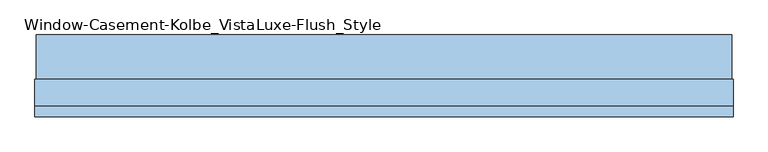
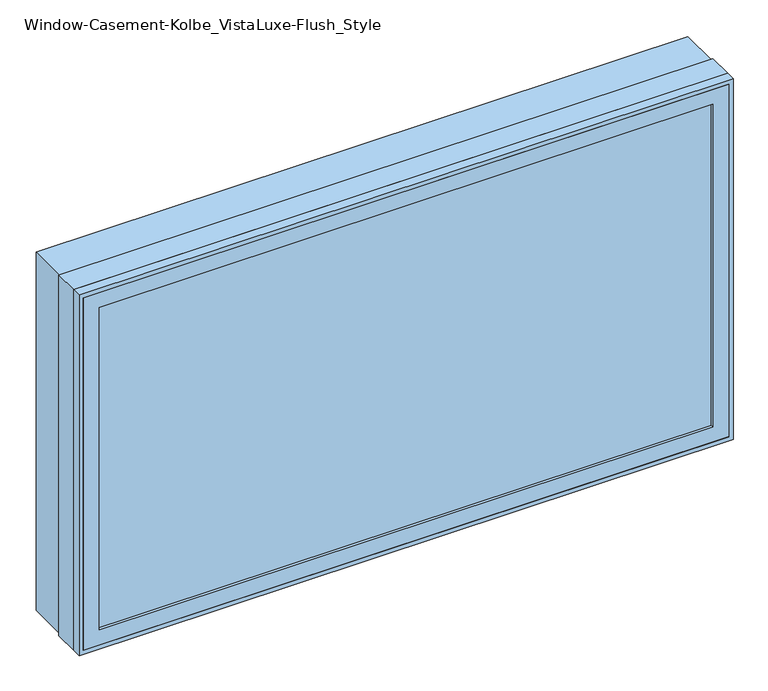
"""IFC4 building model written with IfcOpenShell, lengths in millimetres: window geometry, Window-Casement-Kolbe_VistaLuxe-Flush_Style."""

from ifc_helpers import new_model, si_unit, frame, origin, place, context, project, spatial, polyline, outline, extrude, faceted_brep, source, transform, mapped, element, save


def window_casement_kolbe_vistaluxe_flush_style_ea1c5d10(model_context):
    return source(origin(), model_context, "Body", "SolidModel", [
        faceted_brep([(-863.6696599, -111.85398, 970.676875), (-863.6696599, -119.79148, 970.676875), (852.5765901, -119.79148, 970.676875), (852.5765901, -111.85398, 970.676875), (-879.5446599, -89.60358, 954.801875), (-879.5446599, -111.85398, 954.801875), (868.4515901, -111.85398, 954.801875), (868.4515901, -89.60358, 954.801875), (-863.6696599, -70.57898, 970.676875), (-863.6696599, -89.60358, 970.676875), (852.5765901, -89.60358, 970.676875), (852.5765901, -70.57898, 970.676875), (-908.1196599, -119.79148, 926.226875), (-908.1196599, -70.57898, 926.226875), (897.0265901, -70.57898, 926.226875), (897.0265901, -119.79148, 926.226875), (852.5765901, -119.79148, 1924.923125), (852.5765901, -111.85398, 1924.923125), (868.4515901, -111.85398, 1940.798125), (868.4515901, -89.60358, 1940.798125), (852.5765901, -89.60358, 1924.923125), (852.5765901, -70.57898, 1924.923125), (897.0265901, -70.57898, 1969.373125), (897.0265901, -119.79148, 1969.373125), (-863.6696599, -119.79148, 1924.923125), (-863.6696599, -111.85398, 1924.923125), (-879.5446599, -111.85398, 1940.798125), (-879.5446599, -89.60358, 1940.798125), (-863.6696599, -89.60358, 1924.923125), (-863.6696599, -70.57898, 1924.923125), (-908.1196599, -70.57898, 1969.373125), (-908.1196599, -119.79148, 1969.373125)], [[[0, 1, 2, 3]], [[4, 5, 6, 7]], [[8, 9, 10, 11]], [[12, 13, 14, 15]], [[3, 2, 16, 17]], [[7, 6, 18, 19]], [[11, 10, 20, 21]], [[15, 14, 22, 23]], [[17, 16, 24, 25]], [[19, 18, 26, 27]], [[21, 20, 28, 29]], [[23, 22, 30, 31]], [[25, 24, 1, 0]], [[5, 26, 18, 6], [3, 17, 25, 0]], [[27, 26, 5, 4]], [[7, 19, 27, 4], [9, 28, 20, 10]], [[29, 28, 9, 8]], [[13, 30, 22, 14], [11, 21, 29, 8]], [[31, 30, 13, 12]], [[15, 23, 31, 12], [1, 24, 16, 2]]]),
        extrude(outline(polyline([(1977.6186, 905.2720651), (1977.6186, -916.3651349), (917.9814, -916.3651349), (917.9814, 905.2720651), (1977.6186, 905.2720651)]), holes=[polyline([(936.545625, 886.7078401), (936.545625, -897.8009099), (1959.054375, -897.8009099), (1959.054375, 886.7078401), (936.545625, 886.7078401)])]), frame((0.0, -22.9997, 0.0), z_axis=(0.0, 1.0, 0.0), x_axis=(0.0, 0.0, 1.0)), (0.0, 0.0, 1.0), 116.6622),
        extrude(outline(polyline([(1981.2, -919.9465349), (914.4, -919.9465349), (914.4, 908.8534651), (1981.2, 908.8534651), (1981.2, -919.9465349)]), holes=[polyline([(1969.373125, 897.0265901), (926.226875, 897.0265901), (926.226875, -908.1196599), (1969.373125, -908.1196599), (1969.373125, 897.0265901)])]), frame((0.0, -120.5865, 0.0), z_axis=(0.0, 1.0, 0.0), x_axis=(0.0, 0.0, 1.0)), (0.0, 0.0, 1.0), 26.924),
        faceted_brep([(908.8534651, -22.9997, 914.4), (908.8534651, -93.6625, 914.4), (-919.9465349, -93.6625, 914.4), (-919.9465349, -22.9997, 914.4), (886.7078401, -70.58025, 936.545625), (886.7078401, -22.9997, 936.545625), (-897.8009099, -22.9997, 936.545625), (-897.8009099, -70.58025, 936.545625), (897.0265901, -93.6625, 926.226875), (897.0265901, -70.58025, 926.226875), (-908.1196599, -70.58025, 926.226875), (-908.1196599, -93.6625, 926.226875), (-919.9465349, -93.6625, 1981.2), (-919.9465349, -22.9997, 1981.2), (-897.8009099, -22.9997, 1959.054375), (-897.8009099, -70.58025, 1959.054375), (-908.1196599, -70.58025, 1969.373125), (-908.1196599, -93.6625, 1969.373125), (908.8534651, -93.6625, 1981.2), (908.8534651, -22.9997, 1981.2), (886.7078401, -22.9997, 1959.054375), (886.7078401, -70.58025, 1959.054375), (897.0265901, -70.58025, 1969.373125), (897.0265901, -93.6625, 1969.373125)], [[[0, 1, 2, 3]], [[4, 5, 6, 7]], [[8, 9, 10, 11]], [[3, 2, 12, 13]], [[7, 6, 14, 15]], [[11, 10, 16, 17]], [[13, 12, 18, 19]], [[15, 14, 20, 21]], [[17, 16, 22, 23]], [[19, 18, 1, 0]], [[3, 13, 19, 0], [5, 20, 14, 6]], [[21, 20, 5, 4]], [[9, 22, 16, 10], [7, 15, 21, 4]], [[23, 22, 9, 8]], [[1, 18, 12, 2], [11, 17, 23, 8]]]),
        extrude(outline(polyline([(865.2765901, -92.77858), (-876.3696599, -92.77858), (-876.3696599, -89.60358), (865.2765901, -89.60358), (865.2765901, -92.77858)])), frame((0.0, 0.0, 957.976875), z_axis=(0.0, 0.0, 1.0), x_axis=(1.0, 0.0, 0.0)), (0.0, 0.0, 1.0), 979.64625),
        extrude(outline(polyline([(865.2765901, -108.67898), (865.2765901, -111.85398), (-876.3696599, -111.85398), (-876.3696599, -108.67898), (865.2765901, -108.67898)])), frame((0.0, 0.0, 957.976875), z_axis=(0.0, 0.0, 1.0), x_axis=(1.0, 0.0, 0.0)), (0.0, 0.0, 1.0), 979.64625),
        extrude(outline(polyline([(936.545625, 886.7078401), (1959.054375, 886.7078401), (1959.054375, -897.8009099), (936.545625, -897.8009099), (936.545625, 886.7078401)]), holes=[polyline([(954.801875, -879.5446599), (1940.798125, -879.5446599), (1940.798125, 868.4515901), (954.801875, 868.4515901), (954.801875, -879.5446599)])]), frame((0.0, -70.58025, 0.0), z_axis=(0.0, 1.0, 0.0), x_axis=(0.0, 0.0, 1.0)), (0.0, 0.0, 1.0), 50.8),
    ])


if __name__ == "__main__":
    model = new_model("IFC4")
    model_context = context("Model", 3, world=origin())
    ifc_project = project(units=[si_unit("LENGTHUNIT", "METRE", prefix="MILLI")], contexts=[model_context])
    site = spatial("IfcSite", under=ifc_project)
    building = spatial("IfcBuilding", under=site)
    placement = place(None, origin())
    window_casement_kolbe_vistaluxe_flush_style_shape = window_casement_kolbe_vistaluxe_flush_style_ea1c5d10(model_context)
    element("IfcWindow", 1, ObjectType="Window-Casement-Kolbe_VistaLuxe-Flush_Style", at=placement, inside=building, context=model_context, shape_type="MappedRepresentation", body=[
        mapped(window_casement_kolbe_vistaluxe_flush_style_shape, transform((0.0, 0.0, 0.0), x_axis=(1.0, 0.0, 0.0), y_axis=(0.0, 1.0, 0.0), z_axis=(0.0, 0.0, 1.0))),
    ])
    save(model, "model.ifc")
